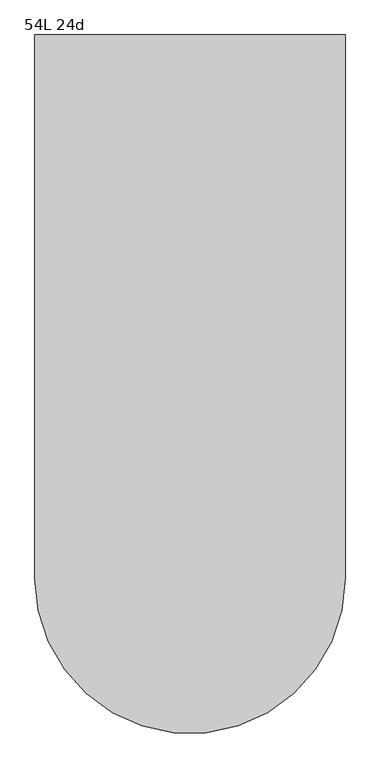
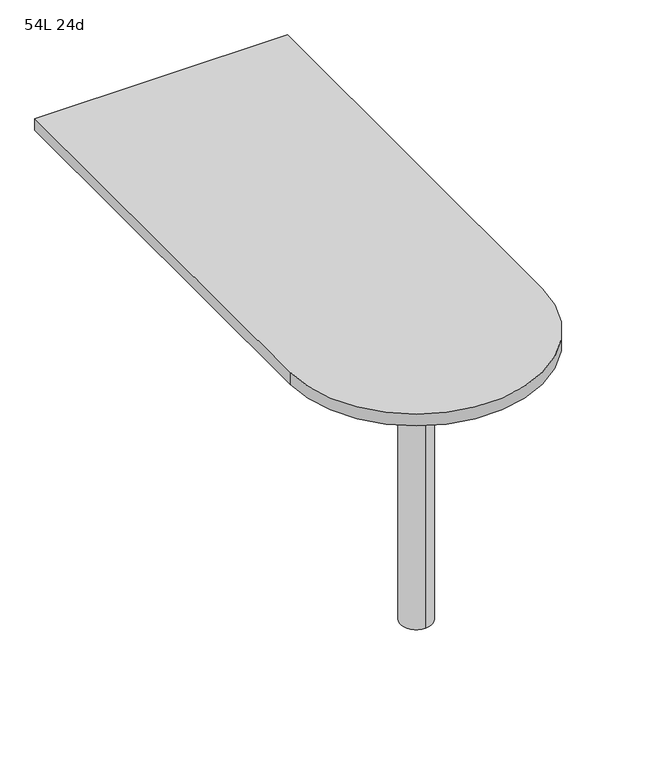
"""IFC4 building model written with IfcOpenShell, lengths in millimetres: furniture geometry, 54L 24d."""

from ifc_helpers import new_model, si_unit, point, frame, frame_2d, origin, place, context, project, spatial, polyline, circle_curve, trimmed, segment, composite_curve, outline, extrude, source, transform, mapped, element, save
from ifc_brep_helpers import plane_surface, cylinder_surface, advanced_brep


def furniture_54l_24d_ef9a055d(model_context):
    return source(origin(), model_context, "Body", "SolidModel", [
        advanced_brep(
        [(0.0, -342.9, 706.4375), (0.0, -419.1, 706.4375), (0.0, -381.0, 706.4375), (0.0, -342.9, 0.0), (0.0, -419.1, 0.0), (0.0, -381.0, 0.0)],
        [
            (0, 1, circle_curve(frame((0.0, -381.0, 706.4375), z_axis=(0.0, 0.0, 1.0), x_axis=(0.0, -1.0, 0.0)), 38.1)),
            (1, 2),
            (2, 0),
            (1, 0, circle_curve(frame((0.0, -381.0, 706.4375), z_axis=(0.0, 0.0, 1.0), x_axis=(0.0, -1.0, 0.0)), 38.1)),
            (3, 4, circle_curve(frame((0.0, -381.0, 0.0), z_axis=(0.0, 0.0, 1.0), x_axis=(0.0, -1.0, 0.0)), 38.1)),
            (4, 1),
            (0, 3),
            (4, 3, circle_curve(frame((0.0, -381.0, 0.0), z_axis=(0.0, 0.0, 1.0), x_axis=(0.0, -1.0, 0.0)), 38.1)),
            (5, 4),
            (3, 5),
        ],
        [
            plane_surface(frame((0.0, -381.0, 706.4375), z_axis=(0.0, 0.0, 1.0), x_axis=(0.0, -1.0, 0.0))),
            cylinder_surface(frame((0.0, -381.0, 889.623257), z_axis=(0.0, 0.0, -1.0), x_axis=(0.0, -1.0, 0.0)), 38.1),
            plane_surface(frame((0.0, -381.0, 0.0), z_axis=(0.0, 0.0, -1.0), x_axis=(0.0, -1.0, 0.0))),
        ],
        [
            (0, [[1, 2, 3]]),
            (0, [[4, -3, -2]]),
            (1, [[5, 6, -1, 7]]),
            (1, [[8, -7, -4, -6]]),
            (2, [[9, -5, 10]]),
            (2, [[-10, -8, -9]]),
        ],
    ),
        extrude(outline(composite_curve([segment(polyline([(-304.8, -381.0), (-304.8, 685.8), (304.8, 685.8), (304.8, -381.0)]), True, "CONTINUOUS"), segment(trimmed(circle_curve(frame_2d((0.0, -381.0)), 304.8), [point((304.8, -381.0))], [point((-304.8, -381.0))], False, "CARTESIAN"), True, "CONTINUOUS")], self_intersect=False)), frame((0.0, 0.0, 706.4375), z_axis=(0.0, 0.0, 1.0), x_axis=(1.0, 0.0, 0.0)), (0.0, 0.0, 1.0), 30.1625),
    ])


if __name__ == "__main__":
    model = new_model("IFC4")
    model_context = context("Model", 3, world=origin())
    ifc_project = project(units=[si_unit("LENGTHUNIT", "METRE", prefix="MILLI")], contexts=[model_context])
    site = spatial("IfcSite", under=ifc_project)
    building = spatial("IfcBuilding", under=site)
    placement = place(None, origin())
    furniture_54l_24d_shape = furniture_54l_24d_ef9a055d(model_context)
    element("IfcFurniture", 1, ObjectType="54L 24d", at=placement, inside=building, context=model_context, shape_type="MappedRepresentation", body=[
        mapped(furniture_54l_24d_shape, transform((0.0, 0.0, 0.0), x_axis=(1.0, 0.0, 0.0), y_axis=(0.0, 1.0, 0.0), z_axis=(0.0, 0.0, 1.0))),
    ])
    save(model, "model.ifc")
